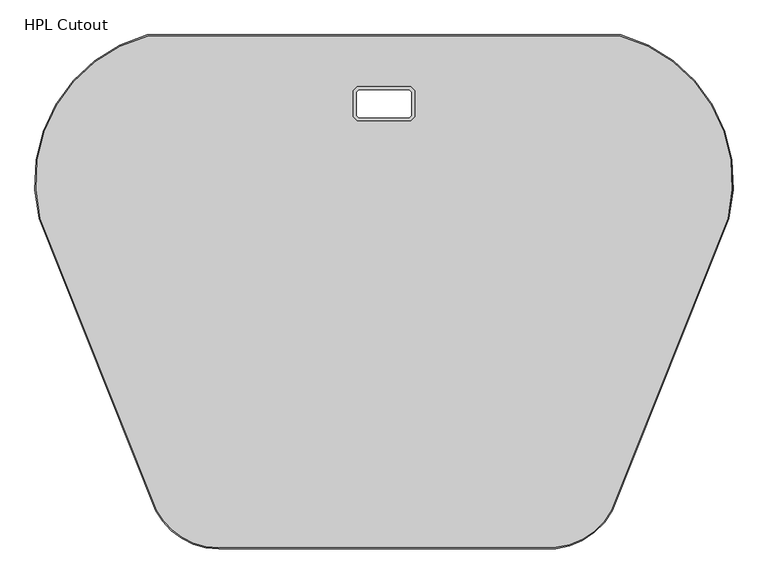
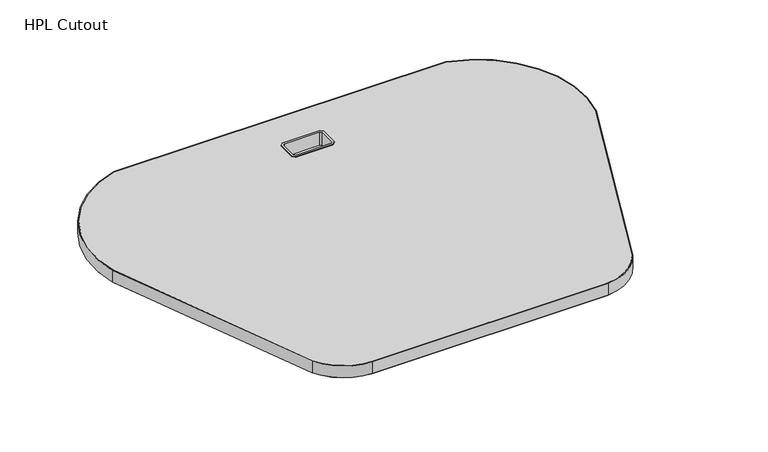
"""IFC4 building model written with IfcOpenShell, lengths in millimetres: furniture geometry, HPL Cutout."""

from ifc_helpers import new_model, si_unit, point, frame, frame_2d, origin, place, context, project, spatial, polyline, circle_curve, trimmed, segment, composite_curve, outline, extrude, faceted_brep, source, transform, mapped, element, save
from ifc_brep_helpers import plane_surface, cylinder_surface, revolved_surface, advanced_brep


def hpl_cutout_d5344d4e(model_context):
    return source(origin(), model_context, "Body", "SolidModel", [
        extrude(outline(composite_curve([segment(trimmed(circle_curve(frame_2d((57.8533234, -213.7837528)), 219.8859747), [point((-155.6114649, -266.5343547))], [point((0.2113928, -1.5875))], False, "CARTESIAN"), True, "CONTINUOUS"), segment(polyline([(0.2113928, -1.5875), (686.4894951, -1.5875)]), True, "CONTINUOUS"), segment(trimmed(circle_curve(frame_2d((628.8475645, -213.7837528)), 219.8859747), [point((686.4894951, -1.5875))], [point((842.3123529, -266.5343547))], False, "CARTESIAN"), True, "CONTINUOUS"), segment(trimmed(circle_curve(frame_2d((-2705.4726159, 900.0160521)), 3734.6509926), [point((842.3123529, -266.5343547))], [point((673.5147694, -690.6008993))], False, "CARTESIAN"), True, "CONTINUOUS"), segment(trimmed(circle_curve(frame_2d((582.1460324, -641.3767377)), 103.7847012), [point((673.5147694, -690.6008993))], [point((592.3995723, -744.6536912))], False, "CARTESIAN"), True, "CONTINUOUS"), segment(trimmed(circle_curve(frame_2d((345.3117872, 1744.0939838)), 2500.9832793), [point((592.3995723, -744.6536912))], [point((103.3168124, -745.1540543))], False, "CARTESIAN"), True, "CONTINUOUS"), segment(trimmed(circle_curve(frame_2d((104.5548556, -641.3767377)), 103.7847012), [point((103.3168124, -745.1540543))], [point((13.1861185, -690.6008993))], False, "CARTESIAN"), True, "CONTINUOUS"), segment(trimmed(circle_curve(frame_2d((3392.1735039, 900.0160521)), 3734.6509926), [point((13.1861185, -690.6008993))], [point((-155.6114649, -266.5343547))], False, "CARTESIAN"), True, "CONTINUOUS")], self_intersect=False), holes=[polyline([(305.9695489, -78.4537305), (302.0468623, -82.376417), (302.0468623, -117.911342), (305.9695489, -121.8340285), (380.7313391, -121.8340285), (384.6540256, -117.911342), (384.6540256, -82.376417), (380.7313391, -78.4537305), (305.9695489, -78.4537305)])]), frame((0.0, 0.0, 709.676), z_axis=(0.0, 0.0, 1.0), x_axis=(1.0, 0.0, 0.0)), (0.0, 0.0, 1.0), 26.924),
        faceted_brep([(304.7341646, -75.4712491, 738.1875), (304.7341646, -75.4712491, 736.6), (299.064381, -81.1410328, 736.6), (299.064381, -81.1410328, 738.1875), (306.6271129, -80.0412305, 709.676), (306.6271129, -80.0412305, 738.1875), (303.6343623, -83.033981, 738.1875), (303.6343623, -83.033981, 709.676), (305.9695489, -78.4537305, 736.6), (305.9695489, -78.4537305, 709.676), (302.0468623, -82.376417, 709.676), (302.0468623, -82.376417, 736.6), (299.064381, -119.1467262, 736.6), (299.064381, -119.1467262, 738.1875), (303.6343623, -117.253778, 738.1875), (303.6343623, -117.253778, 709.676), (302.0468623, -117.911342, 709.676), (302.0468623, -117.911342, 736.6), (304.7341646, -124.8165099, 736.6), (304.7341646, -124.8165099, 738.1875), (306.6271129, -120.2465285, 738.1875), (306.6271129, -120.2465285, 709.676), (305.9695489, -121.8340285, 709.676), (305.9695489, -121.8340285, 736.6), (381.9667233, -124.8165099, 736.6), (381.9667233, -124.8165099, 738.1875), (380.0737751, -120.2465285, 738.1875), (380.0737751, -120.2465285, 709.676), (380.7313391, -121.8340285, 709.676), (380.7313391, -121.8340285, 736.6), (387.636507, -119.1467262, 736.6), (387.636507, -119.1467262, 738.1875), (383.0665256, -117.253778, 738.1875), (383.0665256, -117.253778, 709.676), (384.6540256, -117.911342, 709.676), (384.6540256, -117.911342, 736.6), (387.636507, -81.1410328, 736.6), (387.636507, -81.1410328, 738.1875), (383.0665256, -83.033981, 738.1875), (383.0665256, -83.033981, 709.676), (384.6540256, -82.376417, 709.676), (384.6540256, -82.376417, 736.6), (381.9667233, -75.4712491, 736.6), (381.9667233, -75.4712491, 738.1875), (380.0737751, -80.0412305, 738.1875), (380.0737751, -80.0412305, 709.676), (380.7313391, -78.4537305, 709.676), (380.7313391, -78.4537305, 736.6)], [[[0, 1, 2, 3]], [[4, 5, 6, 7]], [[8, 9, 10, 11]], [[3, 2, 12, 13]], [[7, 6, 14, 15]], [[11, 10, 16, 17]], [[13, 12, 18, 19]], [[15, 14, 20, 21]], [[17, 16, 22, 23]], [[19, 18, 24, 25]], [[21, 20, 26, 27]], [[23, 22, 28, 29]], [[25, 24, 30, 31]], [[27, 26, 32, 33]], [[29, 28, 34, 35]], [[31, 30, 36, 37]], [[33, 32, 38, 39]], [[35, 34, 40, 41]], [[37, 36, 42, 43]], [[39, 38, 44, 45]], [[41, 40, 46, 47]], [[1, 42, 36, 30, 24, 18, 12, 2], [35, 41, 47, 8, 11, 17, 23, 29]], [[43, 42, 1, 0]], [[31, 37, 43, 0, 3, 13, 19, 25], [5, 44, 38, 32, 26, 20, 14, 6]], [[45, 44, 5, 4]], [[9, 46, 40, 34, 28, 22, 16, 10], [33, 39, 45, 4, 7, 15, 21, 27]], [[47, 46, 9, 8]]]),
        advanced_brep(
        [(-157.1382072, -266.9734299, 736.6), (0.0, 0.0, 736.6), (0.0, 0.0, 711.2), (-157.1382072, -266.9734299, 711.2), (-155.5971692, -266.5921715, 711.2), (0.2113928, -1.5875, 711.2), (0.2113928, -1.5875, 736.6), (-155.5971692, -266.5921715, 736.6), (11.7680596, -691.3158133, 736.6), (11.7680596, -691.3158133, 711.2), (13.2043688, -690.6396682, 711.2), (13.2043688, -690.6396682, 736.6), (103.23014, -746.7406115, 736.6), (103.23014, -746.7406115, 711.2), (103.2500977, -745.153237, 711.2), (103.2500977, -745.153237, 736.6), (592.5564114, -746.2334246, 736.6), (592.5564114, -746.2334246, 711.2), (592.3995723, -744.6536912, 711.2), (592.3995723, -744.6536912, 736.6), (674.9328284, -691.3158133, 736.6), (674.9328284, -691.3158133, 711.2), (673.5349356, -690.563449, 711.2), (673.5349356, -690.563449, 736.6), (843.8390952, -266.9734299, 736.6), (843.8390952, -266.9734299, 711.2), (842.331019, -266.4775847, 711.2), (842.331019, -266.4775847, 736.6), (686.700888, 0.0, 711.2), (686.4894951, -1.5875, 711.2), (686.700888, 0.0, 736.6), (686.4894951, -1.5875, 736.6)],
        [
            (0, 1, circle_curve(frame((57.8533234, -213.7837528, 736.6), z_axis=(0.0, 0.0, -1.0), x_axis=(-0.26122010098260684, 0.9652792646911238, 0.0)), 221.4734747)),
            (1, 2),
            (2, 3, circle_curve(frame((57.8533234, -213.7837528, 711.2), z_axis=(0.0, 0.0, 1.0), x_axis=(-0.26122010098260684, 0.9652792646911238, 0.0)), 221.4734747)),
            (3, 0),
            (4, 5, circle_curve(frame((57.8533234, -213.7837528, 711.2), z_axis=(0.0, 0.0, -1.0), x_axis=(-0.26122010098260684, 0.9652792646911238, 0.0)), 219.8859747)),
            (5, 6),
            (6, 7, circle_curve(frame((57.8533234, -213.7837528, 736.6), z_axis=(0.0, 0.0, 1.0), x_axis=(-0.26122010098260684, 0.9652792646911238, 0.0)), 219.8859747)),
            (7, 4),
            (8, 0, circle_curve(frame((3392.1735039, 900.0160521, 736.6), z_axis=(0.0, 0.0, -1.0), x_axis=(-0.9499692586884194, -0.31234341284389994, 0.0)), 3736.2384926)),
            (3, 9, circle_curve(frame((3392.1735039, 900.0160521, 711.2), z_axis=(0.0, 0.0, 1.0), x_axis=(-0.9499692586884194, -0.31234341284389994, 0.0)), 3736.2384926)),
            (9, 8),
            (10, 4, circle_curve(frame((3392.1735039, 900.0160521, 711.2), z_axis=(0.0, 0.0, -1.0), x_axis=(-0.9499692586884194, -0.31234341284389994, 0.0)), 3734.6509926)),
            (7, 11, circle_curve(frame((3392.1735039, 900.0160521, 736.6), z_axis=(0.0, 0.0, 1.0), x_axis=(-0.9499692586884194, -0.31234341284389994, 0.0)), 3734.6509926)),
            (11, 10),
            (12, 8, circle_curve(frame((104.5548556, -641.3767377, 736.6), z_axis=(0.0, 0.0, -1.0), x_axis=(-0.8805623775591866, -0.4739302683173047, 0.0)), 105.3722012)),
            (9, 13, circle_curve(frame((104.5548556, -641.3767377, 711.2), z_axis=(0.0, 0.0, 1.0), x_axis=(-0.8805623775591866, -0.4739302683173047, 0.0)), 105.3722012)),
            (13, 12),
            (14, 10, circle_curve(frame((104.5548556, -641.3767377, 711.2), z_axis=(0.0, 0.0, -1.0), x_axis=(-0.8805623775591866, -0.4739302683173047, 0.0)), 103.7847012)),
            (11, 15, circle_curve(frame((104.5548556, -641.3767377, 736.6), z_axis=(0.0, 0.0, 1.0), x_axis=(-0.8805623775591866, -0.4739302683173047, 0.0)), 103.7847012)),
            (15, 14),
            (16, 12, circle_curve(frame((345.3117872, 1744.0939838, 736.6), z_axis=(0.0, 0.0, -1.0), x_axis=(-0.09673318702990111, -0.9953103488495627, 0.0)), 2502.5707793)),
            (13, 17, circle_curve(frame((345.3117872, 1744.0939838, 711.2), z_axis=(0.0, 0.0, 1.0), x_axis=(-0.09673318702990111, -0.9953103488495627, 0.0)), 2502.5707793)),
            (17, 16),
            (18, 14, circle_curve(frame((345.3117872, 1744.0939838, 711.2), z_axis=(0.0, 0.0, -1.0), x_axis=(-0.09673318702990111, -0.9953103488495627, 0.0)), 2500.9832793)),
            (15, 19, circle_curve(frame((345.3117872, 1744.0939838, 736.6), z_axis=(0.0, 0.0, 1.0), x_axis=(-0.09673318702990111, -0.9953103488495627, 0.0)), 2500.9832793)),
            (19, 18),
            (20, 16, circle_curve(frame((582.1460324, -641.3767377, 736.6), z_axis=(0.0, 0.0, -1.0), x_axis=(0.09879625630866629, -0.9951076824843592, 0.0)), 105.3722012)),
            (17, 21, circle_curve(frame((582.1460324, -641.3767377, 711.2), z_axis=(0.0, 0.0, 1.0), x_axis=(0.09879625630866629, -0.9951076824843592, 0.0)), 105.3722012)),
            (21, 20),
            (22, 18, circle_curve(frame((582.1460324, -641.3767377, 711.2), z_axis=(0.0, 0.0, -1.0), x_axis=(0.09879625630866629, -0.9951076824843592, 0.0)), 103.7847012)),
            (19, 23, circle_curve(frame((582.1460324, -641.3767377, 736.6), z_axis=(0.0, 0.0, 1.0), x_axis=(0.09879625630866629, -0.9951076824843592, 0.0)), 103.7847012)),
            (23, 22),
            (24, 20, circle_curve(frame((-2705.4726159, 900.0160521, 736.6), z_axis=(0.0, 0.0, -1.0), x_axis=(0.9047616877237572, -0.42591817104610424, 0.0)), 3736.2384926)),
            (21, 25, circle_curve(frame((-2705.4726159, 900.0160521, 711.2), z_axis=(0.0, 0.0, 1.0), x_axis=(0.9047616877237572, -0.42591817104610424, 0.0)), 3736.2384926)),
            (25, 24),
            (26, 22, circle_curve(frame((-2705.4726159, 900.0160521, 711.2), z_axis=(0.0, 0.0, -1.0), x_axis=(0.9047616877237572, -0.42591817104610424, 0.0)), 3734.6509926)),
            (23, 27, circle_curve(frame((-2705.4726159, 900.0160521, 736.6), z_axis=(0.0, 0.0, 1.0), x_axis=(0.9047616877237572, -0.42591817104610424, 0.0)), 3734.6509926)),
            (27, 26),
            (28, 25, circle_curve(frame((628.8475645, -213.7837528, 711.2), z_axis=(0.0, 0.0, -1.0), x_axis=(0.9707326393571901, -0.24016274250312716, 0.0)), 221.4734747)),
            (2, 28),
            (26, 29, circle_curve(frame((628.8475645, -213.7837528, 711.2), z_axis=(0.0, 0.0, 1.0), x_axis=(0.9707326393571901, -0.24016274250312716, 0.0)), 219.8859747)),
            (29, 5),
            (30, 24, circle_curve(frame((628.8475645, -213.7837528, 736.6), z_axis=(0.0, 0.0, -1.0), x_axis=(0.9707326393571901, -0.24016274250312716, 0.0)), 221.4734747)),
            (28, 30),
            (30, 1),
            (31, 27, circle_curve(frame((628.8475645, -213.7837528, 736.6), z_axis=(0.0, 0.0, -1.0), x_axis=(0.9707326393571901, -0.24016274250312716, 0.0)), 219.8859747)),
            (6, 31),
            (31, 29),
        ],
        [
            cylinder_surface(frame((57.8533234, -213.7837528, 736.6), z_axis=(0.0, 0.0, 1.0), x_axis=(-0.26122010098260684, 0.9652792646911238, 0.0)), 221.4734747),
            revolved_surface(polyline([(0.41468688420707167, -1.532380825692968, 736.6), (0.41468688420707167, -1.532380825692968, 711.2)]), (57.8533234, -213.7837528, 736.6), (0.0, 0.0, 1.0)),
            cylinder_surface(frame((3392.1735039, 900.0160521, 736.6), z_axis=(0.0, 0.0, 1.0), x_axis=(-0.9499692586884194, -0.31234341284389994, 0.0)), 3736.2384926),
            revolved_surface(polyline([(-155.6301310001918, -266.4775847095425, 736.6), (-155.6301310001918, -266.4775847095425, 711.2)]), (3392.1735039, 900.0160521, 736.6), (0.0, 0.0, 1.0)),
            cylinder_surface(frame((104.5548556, -641.3767377, 736.6), z_axis=(0.0, 0.0, 1.0), x_axis=(-0.8805623775591866, -0.4739302683173047, 0.0)), 105.3722012),
            revolved_surface(polyline([(13.16595235705823, -690.5634489869474, 736.6), (13.16595235705823, -690.5634489869474, 711.2)]), (104.5548556, -641.3767377, 736.6), (0.0, 0.0, 1.0)),
            cylinder_surface(frame((345.3117872, 1744.0939838, 736.6), z_axis=(0.0, 0.0, 1.0), x_axis=(-0.09673318702990111, -0.9953103488495627, 0.0)), 2502.5707793),
            revolved_surface(polyline([(103.38370388481772, -745.1605563870066, 736.6), (103.38370388481772, -745.1605563870066, 711.2)]), (345.3117872, 1744.0939838, 736.6), (0.0, 0.0, 1.0)),
            cylinder_surface(frame((582.1460324, -641.3767377, 736.6), z_axis=(0.0, 0.0, 1.0), x_axis=(0.09879625630866629, -0.9951076824843592, 0.0)), 105.3722012),
            revolved_surface(polyline([(592.3995723406736, -744.6536911884638, 736.6), (592.3995723406736, -744.6536911884638, 711.2)]), (582.1460324, -641.3767377, 736.6), (0.0, 0.0, 1.0)),
            cylinder_surface(frame((-2705.4726159, 900.0160521, 736.6), z_axis=(0.0, 0.0, 1.0), x_axis=(0.9047616877237572, -0.42591817104610424, 0.0)), 3736.2384926),
            revolved_surface(polyline([(673.4965192239806, -690.6396681637098, 736.6), (673.4965192239806, -690.6396681637098, 711.2)]), (-2705.4726159, 900.0160521, 736.6), (0.0, 0.0, 1.0)),
            plane_surface(frame((628.8475645, -213.7837528, 711.2), z_axis=(0.0, 0.0, -1.0000000000000002), x_axis=(0.9707326393571902, -0.2401627425031272, 0.0))),
            cylinder_surface(frame((628.8475645, -213.7837528, 736.6), z_axis=(0.0, 0.0, 1.0), x_axis=(0.9707326393571901, -0.24016274250312716, 0.0)), 221.4734747),
            plane_surface(frame((628.8475645, -213.7837528, 736.6), z_axis=(0.0, 0.0, 1.0000000000000002), x_axis=(0.9707326393571902, -0.2401627425031272, 0.0))),
            revolved_surface(polyline([(842.2980570781593, -266.59217152192525, 736.6), (842.2980570781593, -266.59217152192525, 711.2)]), (628.8475645, -213.7837528, 736.6), (0.0, 0.0, 1.0)),
            plane_surface(frame((686.700888, 0.0, 711.2), z_axis=(0.0, 1.0, 0.0), x_axis=(-1.0, 0.0, 0.0))),
            plane_surface(frame((686.4894951, -1.5875, 736.6), z_axis=(0.0, -1.0, 0.0), x_axis=(-1.0, 0.0, 0.0))),
        ],
        [
            (0, [[1, 2, 3, 4]]),
            (1, [[5, 6, 7, 8]]),
            (2, [[9, -4, 10, 11]]),
            (3, [[12, -8, 13, 14]]),
            (4, [[15, -11, 16, 17]]),
            (5, [[18, -14, 19, 20]]),
            (6, [[21, -17, 22, 23]]),
            (7, [[24, -20, 25, 26]]),
            (8, [[27, -23, 28, 29]]),
            (9, [[30, -26, 31, 32]]),
            (10, [[33, -29, 34, 35]]),
            (11, [[36, -32, 37, 38]]),
            (12, [[39, -34, -28, -22, -16, -10, -3, 40], [41, 42, -5, -12, -18, -24, -30, -36]]),
            (13, [[43, -35, -39, 44]]),
            (14, [[-43, 45, -1, -9, -15, -21, -27, -33], [46, -37, -31, -25, -19, -13, -7, 47]]),
            (15, [[-41, -38, -46, 48]]),
            (16, [[-44, -40, -2, -45]]),
            (17, [[-48, -47, -6, -42]]),
        ],
    ),
    ])


if __name__ == "__main__":
    model = new_model("IFC4")
    model_context = context("Model", 3, world=origin())
    ifc_project = project(units=[si_unit("LENGTHUNIT", "METRE", prefix="MILLI")], contexts=[model_context])
    site = spatial("IfcSite", under=ifc_project)
    building = spatial("IfcBuilding", under=site)
    placement = place(None, origin())
    hpl_cutout_shape = hpl_cutout_d5344d4e(model_context)
    element("IfcFurniture", 1, ObjectType="HPL Cutout", at=placement, inside=building, context=model_context, shape_type="MappedRepresentation", body=[
        mapped(hpl_cutout_shape, transform((0.0, 0.0, 0.0), x_axis=(1.0, 0.0, 0.0), y_axis=(0.0, 1.0, 0.0), z_axis=(0.0, 0.0, 1.0))),
    ])
    save(model, "model.ifc")
